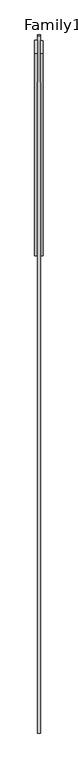
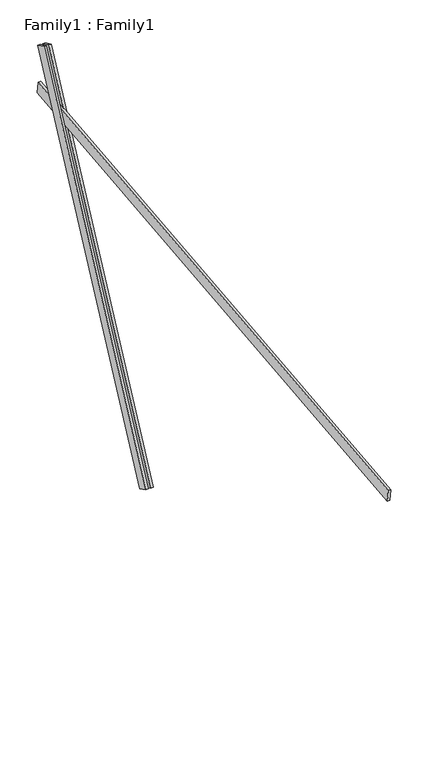
"""IFC4 building model written with IfcOpenShell, lengths in millimetres: proxy geometry, Family1 : Family1."""

import ifcopenshell
import ifcopenshell.guid

model = None  # the IFC model being written
_history = None  # IfcOwnerHistory: only IFC2X3 demands one
_inside = {}  # id of a spatial element -> (the spatial element, [elements in it])
_under = {}  # id of a project, library or spatial element -> (it, [spatial elements below it])
_declared = {}  # id of a project -> (the project, [libraries it declares])
_typed = {}  # id of a type object -> (the type object, [elements of that type])
_made_of = {}  # id of a material, layer set ... -> (it, [elements and type objects made of it])


def new_model(schema):
    """Start an empty IFC model of exactly this schema.

    Asked for "IFC4X3", IfcOpenShell would pick the latest addendum, in which some entities
    have other attributes; the version numbers below select the first issue.
    IFC2X3 requires an IfcOwnerHistory on every rooted entity: one is made here for all.
    """
    global model, _history
    if schema == "IFC4X3":
        model = ifcopenshell.file(schema_version=(4, 3, 0, 0))
    else:
        model = ifcopenshell.file(schema=schema)
    _inside.clear()
    _under.clear()
    _declared.clear()
    _typed.clear()
    _made_of.clear()
    _history = None
    if model.schema == "IFC2X3":
        org = make("IfcOrganization", Name="unknown")
        user = make(
            "IfcPersonAndOrganization",
            ThePerson=make("IfcPerson", FamilyName="unknown"),
            TheOrganization=org,
        )
        app = make(
            "IfcApplication",
            ApplicationDeveloper=org,
            Version="unknown",
            ApplicationFullName="unknown",
            ApplicationIdentifier="unknown",
        )
        _history = make(
            "IfcOwnerHistory",
            OwningUser=user,
            OwningApplication=app,
            ChangeAction="ADDED",
            CreationDate=0,
        )
    return model


def make(cls, **values):
    """One entity of the class cls with the attributes given. An attribute that is None is left unset."""
    return model.create_entity(
        cls, **{name: value for name, value in values.items() if value is not None}
    )


def rooted(cls, **values):
    """An entity with a GlobalId (a new one), such as an element, a storey or a relation."""
    return make(cls, GlobalId=ifcopenshell.guid.new(), OwnerHistory=_history, **values)


def si_unit(unit_type, name, prefix=None):
    """IfcSIUnit, for example si_unit("LENGTHUNIT", "METRE", prefix="MILLI")."""
    return make("IfcSIUnit", UnitType=unit_type, Prefix=prefix, Name=name)


def assignment(units):
    """IfcUnitAssignment: the units of a project."""
    return None if units is None else make("IfcUnitAssignment", Units=units)


def point(xyz):
    """IfcCartesianPoint."""
    return None if xyz is None else make("IfcCartesianPoint", Coordinates=xyz)


def direction(xyz):
    """IfcDirection."""
    return None if xyz is None else make("IfcDirection", DirectionRatios=xyz)


def frame(location, z_axis=None, x_axis=None):
    """IfcAxis2Placement3D, a coordinate frame: its origin and axes. An axis left out is left unset."""
    return make(
        "IfcAxis2Placement3D",
        Location=point(location),
        Axis=direction(z_axis),
        RefDirection=direction(x_axis),
    )


def origin():
    """The frame at (0, 0, 0) with its axes left unset."""
    return frame((0.0, 0.0, 0.0))


def place(relative_to, where):
    """IfcLocalPlacement: puts the frame where relative to a parent placement (None: the world)."""
    return make(
        "IfcLocalPlacement", PlacementRelTo=relative_to, RelativePlacement=where
    )


def context(
    kind, dimensions, precision=None, world=None, true_north=None, identifier=None
):
    """IfcGeometricRepresentationContext, for example the 3D "Model" context."""
    return make(
        "IfcGeometricRepresentationContext",
        ContextIdentifier=identifier,
        ContextType=kind,
        CoordinateSpaceDimension=dimensions,
        Precision=precision,
        WorldCoordinateSystem=world,
        TrueNorth=true_north,
    )


def project(units=None, contexts=None):
    """IfcProject with its units and contexts."""
    return rooted(
        "IfcProject",
        Name="project",
        RepresentationContexts=contexts,
        UnitsInContext=assignment(units),
    )


def spatial(cls, under=None, at=None, **own):
    """A site, building, storey or space (cls), placed at a placement, below another one or the project."""
    s = rooted(cls, ObjectPlacement=at, **own)
    if under is not None:
        _under.setdefault(under.id(), (under, []))[1].append(s)
    return s


def polyline(points):
    """IfcPolyline through the points."""
    return make("IfcPolyline", Points=[point(p) for p in points])


def outline(outer, holes=None, kind="AREA"):
    """IfcArbitraryClosedProfileDef: a profile drawn as a closed curve; with holes, ...WithVoids."""
    if holes is None:
        return make("IfcArbitraryClosedProfileDef", ProfileType=kind, OuterCurve=outer)
    return make(
        "IfcArbitraryProfileDefWithVoids",
        ProfileType=kind,
        OuterCurve=outer,
        InnerCurves=holes,
    )


def extrude(swept, where, along, depth):
    """IfcExtrudedAreaSolid: the profile swept, set in the frame where, extruded along a direction by depth."""
    return make(
        "IfcExtrudedAreaSolid",
        SweptArea=swept,
        Position=where,
        ExtrudedDirection=direction(along),
        Depth=depth,
    )


def shape(context_of_items, identifier, shape_type, items):
    """IfcShapeRepresentation: the items that make up one representation, for example the "Body"."""
    return make(
        "IfcShapeRepresentation",
        ContextOfItems=context_of_items,
        RepresentationIdentifier=identifier,
        RepresentationType=shape_type,
        Items=items,
    )


def source(mapping_origin, context_of_items, identifier, shape_type, items):
    """IfcRepresentationMap: a shape defined once, which mapped items show again and again."""
    return make(
        "IfcRepresentationMap",
        MappingOrigin=mapping_origin,
        MappedRepresentation=shape(context_of_items, identifier, shape_type, items),
    )


def transform(
    local_origin,
    x_axis=None,
    y_axis=None,
    z_axis=None,
    scale=None,
    scale2=None,
    scale3=None,
    uniform=True,
):
    """IfcCartesianTransformationOperator3D, or its non-uniform kind. x_axis, y_axis, z_axis: its Axis1, 2, 3."""
    if uniform:
        return make(
            "IfcCartesianTransformationOperator3D",
            Axis1=direction(x_axis),
            Axis2=direction(y_axis),
            LocalOrigin=point(local_origin),
            Scale=scale,
            Axis3=direction(z_axis),
        )
    return make(
        "IfcCartesianTransformationOperator3DnonUniform",
        Axis1=direction(x_axis),
        Axis2=direction(y_axis),
        LocalOrigin=point(local_origin),
        Scale=scale,
        Axis3=direction(z_axis),
        Scale2=scale2,
        Scale3=scale3,
    )


def mapped(mapping_source, mapping_target):
    """IfcMappedItem: shows the shape of a source again, moved by a transform."""
    return make(
        "IfcMappedItem", MappingSource=mapping_source, MappingTarget=mapping_target
    )


def made_of(thing, what):
    """Note that an element or type object is made of a material, layer set ...; save() writes the relation."""
    if what is not None:
        _made_of.setdefault(what.id(), (what, []))[1].append(thing)
    return thing


def element(
    cls,
    number,
    at=None,
    inside=None,
    cuts=None,
    type_object=None,
    material=None,
    context=None,
    identifier="Body",
    shape_type=None,
    held_by="IfcProductDefinitionShape",
    body=None,
    shapes=None,
    **own,
):
    """One element of the class cls, such as IfcWall. Its Tag is "e" and its number.

    at: its placement. inside: the storey or other place that contains it. cuts: it is an
    opening in that element (IfcRelVoidsElement). A single representation is given by context,
    identifier, shape_type and body (its items); several are given by shapes. held_by: the class
    of the entity that holds the representations. save() writes the other relations.
    """
    e = rooted(cls, Tag="e%d" % number, ObjectPlacement=at, **own)
    if body is not None:
        shapes = [shape(context, identifier, shape_type, body)]
    if shapes is not None:
        e.Representation = make(held_by, Representations=shapes)
    if inside is not None:
        _inside.setdefault(inside.id(), (inside, []))[1].append(e)
    if cuts is not None:
        rooted(
            "IfcRelVoidsElement", RelatingBuildingElement=cuts, RelatedOpeningElement=e
        )
    if type_object is not None:
        _typed.setdefault(type_object.id(), (type_object, []))[1].append(e)
    return made_of(e, material)


def aggregate(whole, parts):
    """IfcRelAggregates: a whole, such as a stair, and the parts it consists of."""
    return rooted("IfcRelAggregates", RelatingObject=whole, RelatedObjects=parts)


def save(model, path):
    """Write the relations noted so far, then the file.

    IfcRelAggregates (storeys below a building ...), IfcRelContainedInSpatialStructure (elements
    in a storey), IfcRelDefinesByType, IfcRelAssociatesMaterial and IfcRelDeclares: one each for
    every whole, place, type object, material and project.
    """
    for whole, parts in _under.values():
        aggregate(whole, parts)
    for where, things in _inside.values():
        rooted(
            "IfcRelContainedInSpatialStructure",
            RelatedElements=things,
            RelatingStructure=where,
        )
    for kind, things in _typed.values():
        rooted("IfcRelDefinesByType", RelatedObjects=things, RelatingType=kind)
    for what, things in _made_of.values():
        rooted("IfcRelAssociatesMaterial", RelatedObjects=things, RelatingMaterial=what)
    for by, libraries in _declared.values():
        rooted("IfcRelDeclares", RelatingContext=by, RelatedDefinitions=libraries)
    model.write(path)


def family1_family1_5a04685c(model_context):
    return source(origin(), model_context, "Body", "SweptSolid", [
        extrude(outline(polyline([(0.0, 0.0), (0.0, -20.0), (-100.0000001, -20.0), (-100.0000001, 0.0), (0.0, 0.0)])), frame((-30.0, 46.3241747, -22.5938096), z_axis=(0.0, 0.4383711467890692, 0.8987940462991711), x_axis=(0.0, 0.8987940462991711, -0.4383711467890692)), (0.0, 0.0, 1.0), 3300.0),
        extrude(outline(polyline([(0.0, 0.0), (0.0, -20.0), (-99.9999999, -20.0), (-99.9999999, 0.0), (0.0, 0.0)])), frame((10.0, 45.270232, -22.0797674), z_axis=(0.0, 0.4383711467890692, 0.8987940462991711), x_axis=(0.0, 0.8987940462991711, -0.4383711467890692)), (0.0, 0.0, 1.0), 3300.0),
        extrude(outline(polyline([(0.0, -20.0), (0.0, 0.0), (5000.0, 0.0), (5000.0, -20.0), (0.0, -20.0)])), frame((-10.0, -3439.8592468, 1975.7950805), z_axis=(0.0, -0.10452846326765086, 0.9945218953682737), x_axis=(0.0, 0.9945218953682737, 0.10452846326765086)), (0.0, 0.0, 1.0), 100.0),
    ])


if __name__ == "__main__":
    model = new_model("IFC4")
    model_context = context("Model", 3, world=origin())
    ifc_project = project(units=[si_unit("LENGTHUNIT", "METRE", prefix="MILLI")], contexts=[model_context])
    site = spatial("IfcSite", under=ifc_project)
    building = spatial("IfcBuilding", under=site)
    placement = place(None, origin())
    family1_family1_shape = family1_family1_5a04685c(model_context)
    element("IfcBuildingElementProxy", 1, Name="Family1 : Family1", ObjectType="Family1 : Family1", at=placement, inside=building, context=model_context, shape_type="MappedRepresentation", body=[
        mapped(family1_family1_shape, transform((0.0, 0.0, 0.0), x_axis=(1.0, 0.0, 0.0), y_axis=(0.0, 1.0, 0.0), z_axis=(0.0, 0.0, 1.0))),
    ])
    save(model, "model.ifc")
